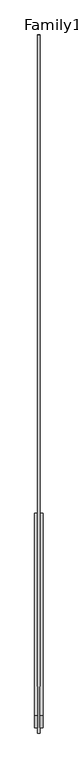
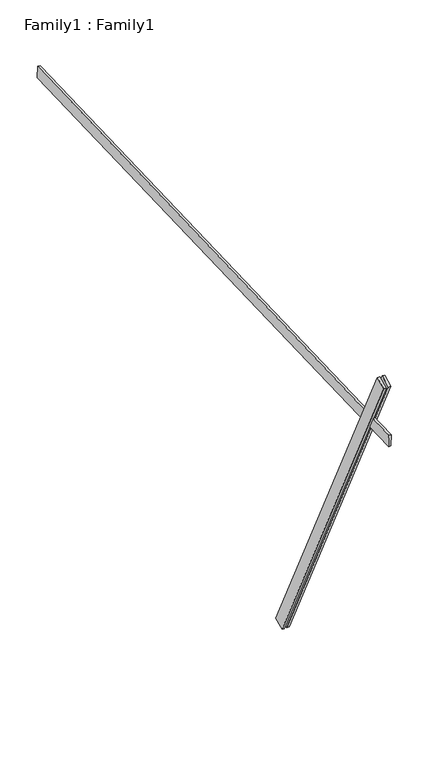
"""IFC4 building model written with IfcOpenShell, lengths in millimetres: proxy geometry, Family1 : Family1."""

from ifc_helpers import new_model, si_unit, frame, origin, place, context, project, spatial, polyline, outline, extrude, source, transform, mapped, element, save


def family1_family1_69d9a36e(model_context):
    return source(origin(), model_context, "Body", "SweptSolid", [
        extrude(outline(polyline([(0.0, 0.0), (-100.0000001, 0.0), (-100.0000001, 20.0), (0.0, 20.0), (0.0, 0.0)])), frame((-30.0, -46.3241747, -22.5938096), z_axis=(0.0, -0.4383711467890692, 0.8987940462991711), x_axis=(0.0, -0.8987940462991711, -0.4383711467890692)), (0.0, 0.0, 1.0), 3300.0),
        extrude(outline(polyline([(0.0, 0.0), (-99.9999999, 0.0), (-99.9999999, 20.0), (0.0, 20.0), (0.0, 0.0)])), frame((10.0, -45.270232, -22.0797674), z_axis=(0.0, -0.4383711467890692, 0.8987940462991711), x_axis=(0.0, -0.8987940462991711, -0.4383711467890692)), (0.0, 0.0, 1.0), 3300.0),
        extrude(outline(polyline([(0.0, 20.0), (5000.0, 20.0), (5000.0, 0.0), (0.0, 0.0), (0.0, 20.0)])), frame((-10.0, 3469.7061636, 2630.6207833), z_axis=(0.0, -0.03489949670250353, 0.9993908270190957), x_axis=(0.0, -0.9993908270190957, -0.03489949670250353)), (0.0, 0.0, 1.0), 100.0),
    ])


if __name__ == "__main__":
    model = new_model("IFC4")
    model_context = context("Model", 3, world=origin())
    ifc_project = project(units=[si_unit("LENGTHUNIT", "METRE", prefix="MILLI")], contexts=[model_context])
    site = spatial("IfcSite", under=ifc_project)
    building = spatial("IfcBuilding", under=site)
    placement = place(None, origin())
    family1_family1_shape = family1_family1_69d9a36e(model_context)
    element("IfcBuildingElementProxy", 1, Name="Family1 : Family1", ObjectType="Family1 : Family1", at=placement, inside=building, context=model_context, shape_type="MappedRepresentation", body=[
        mapped(family1_family1_shape, transform((0.0, 0.0, 0.0), x_axis=(1.0, 0.0, 0.0), y_axis=(0.0, 1.0, 0.0), z_axis=(0.0, 0.0, 1.0))),
    ])
    save(model, "model.ifc")
